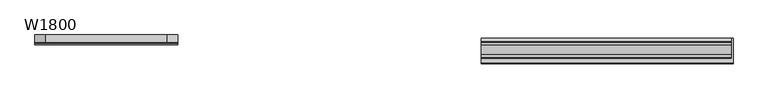
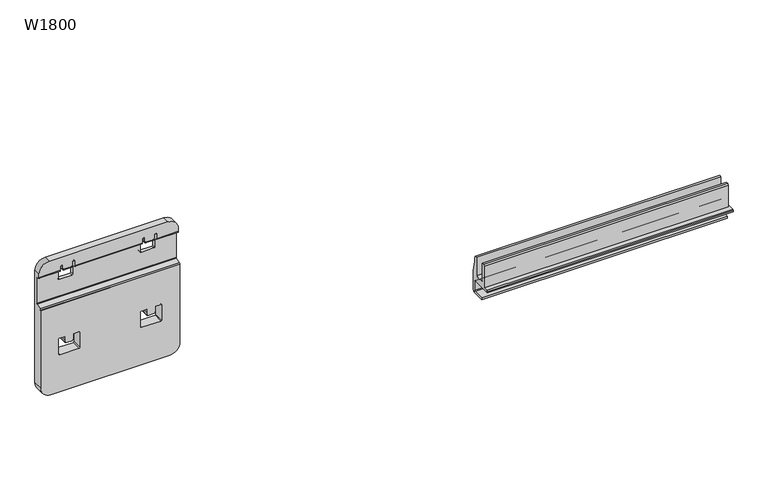
"""IFC4 building model written with IfcOpenShell, lengths in millimetres: furniture geometry, W1800."""

from ifc_helpers import new_model, si_unit, frame, origin, place, context, project, spatial, polyline, circle_curve, ellipse_curve, source, transform, mapped, element, save
from ifc_brep_helpers import plane_surface, cylinder_surface, revolved_surface, advanced_brep


def w1800_2f496332(model_context):
    return source(origin(), model_context, "Body", "AdvancedBrep", [
        advanced_brep(
        [(-585.0000058, 35.7999991, 1156.5000679), (-560.0000058, 35.7999991, 1131.5000679), (-560.0000058, 35.7999991, 841.5000568), (-585.0000058, 35.7999991, 816.5000568), (-875.0000023, 35.7999991, 816.5000568), (-900.0000023, 35.7999991, 841.5000568), (-900.0000023, 35.7999991, 1131.5000679), (-875.0000023, 35.7999991, 1156.5000679), (-855.5000011, 35.7999991, 914.4848873), (-853.5151874, 35.7999991, 912.5000737), (-806.4517863, 35.7999991, 912.5000737), (-804.5000095, 35.7999991, 914.4518505), (-804.5000095, 35.7999991, 952.5278915), (-806.4721874, 35.7999991, 954.5000694), (-818.700004, 35.7999991, 954.5000694), (-818.700004, 35.7999991, 945.5000954), (-820.5106457, 35.7999991, 938.2575281), (-821.4807882, 35.7999991, 937.5000637), (-838.5192298, 35.7999991, 937.5000637), (-839.4893723, 35.7999991, 938.2575281), (-841.3000066, 35.7999991, 945.5000656), (-841.3000066, 35.7999991, 954.5000694), (-853.5000011, 35.7999991, 954.5000694), (-855.5000011, 35.7999991, 952.5000694), (-604.500014, 35.7999991, 914.4848873), (-604.500014, 35.7999991, 952.5000694), (-606.500014, 35.7999991, 954.5000694), (-618.7000085, 35.7999991, 954.5000694), (-618.7000085, 35.7999991, 945.5000656), (-620.5106428, 35.7999991, 938.2575281), (-621.4807853, 35.7999991, 937.5000637), (-638.5192269, 35.7999991, 937.5000637), (-639.4893694, 35.7999991, 938.2575281), (-641.3000111, 35.7999991, 945.5000954), (-641.3000111, 35.7999991, 954.5000694), (-653.5278277, 35.7999991, 954.5000694), (-655.5000056, 35.7999991, 952.5278915), (-655.5000056, 35.7999991, 914.4518505), (-653.5482288, 35.7999991, 912.5000737), (-606.4848276, 35.7999991, 912.5000737), (-847.5000072, 35.7999991, 1096.4925965), (-845.50748, 35.7999991, 1094.5000693), (-814.48164, 35.7999991, 1094.5000693), (-812.5000108, 35.7999991, 1096.4816985), (-812.5000108, 35.7999991, 1134.5000685), (-814.5000108, 35.7999991, 1136.5000685), (-818.700004, 35.7999991, 1136.5000685), (-818.700004, 35.7999991, 1127.500092), (-820.510644, 35.7999991, 1120.2575337), (-821.4807865, 35.7999991, 1119.5000693), (-838.4863519, 35.7999991, 1119.5000693), (-839.4973485, 35.7999991, 1120.2894316), (-841.3000066, 35.7999991, 1127.5000622), (-841.3000066, 35.7999991, 1136.5000685), (-845.5314725, 35.7999991, 1136.5000685), (-847.5000072, 35.7999991, 1134.5315337), (-612.5000008, 35.7999991, 1096.4925965), (-612.5000008, 35.7999991, 1134.5315337), (-614.4685356, 35.7999991, 1136.5000685), (-618.7000015, 35.7999991, 1136.5000685), (-618.7000015, 35.7999991, 1127.5000622), (-620.5026596, 35.7999991, 1120.2894316), (-621.5136561, 35.7999991, 1119.5000693), (-638.5192216, 35.7999991, 1119.5000693), (-639.4893641, 35.7999991, 1120.2575337), (-641.3000041, 35.7999991, 1127.500092), (-641.3000041, 35.7999991, 1136.5000685), (-645.4999973, 35.7999991, 1136.5000685), (-647.4999973, 35.7999991, 1134.5000685), (-647.4999973, 35.7999991, 1096.4816985), (-645.5183681, 35.7999991, 1094.5000693), (-614.4925281, 35.7999991, 1094.5000693), (-900.0000023, 11.9999977, 841.5000568), (-875.0000023, 11.9999977, 816.5000568), (-585.0000058, 11.9999977, 816.5000568), (-560.0000058, 11.9999977, 841.5000568), (-560.0000058, 11.9999977, 1042.3574843), (-900.0000023, 11.9999977, 1042.3574843), (-855.5000011, 11.9999977, 914.4848873), (-855.5000011, 11.9999977, 952.5000694), (-853.5000011, 11.9999977, 954.5000694), (-841.3000066, 11.9999977, 954.5000694), (-841.3000066, 11.9999977, 945.5000656), (-839.4893723, 11.9999977, 938.2575281), (-838.5192298, 11.9999977, 937.5000637), (-821.4807882, 11.9999977, 937.5000637), (-820.5106457, 11.9999977, 938.2575281), (-818.700004, 11.9999977, 945.5000954), (-818.700004, 11.9999977, 954.5000694), (-806.4721874, 11.9999977, 954.5000694), (-804.5000095, 11.9999977, 952.5278915), (-804.5000095, 11.9999977, 914.4518505), (-806.4517863, 11.9999977, 912.5000737), (-853.5151874, 11.9999977, 912.5000737), (-604.500014, 11.9999977, 914.4848873), (-606.4848276, 11.9999977, 912.5000737), (-653.5482288, 11.9999977, 912.5000737), (-655.5000056, 11.9999977, 914.4518505), (-655.5000056, 11.9999977, 952.5278915), (-653.5278277, 11.9999977, 954.5000694), (-641.3000111, 11.9999977, 954.5000694), (-641.3000111, 11.9999977, 945.5000954), (-639.4893694, 11.9999977, 938.2575281), (-638.5192269, 11.9999977, 937.5000637), (-621.4807853, 11.9999977, 937.5000637), (-620.5106428, 11.9999977, 938.2575281), (-618.7000085, 11.9999977, 945.5000656), (-618.7000085, 11.9999977, 954.5000694), (-606.500014, 11.9999977, 954.5000694), (-604.500014, 11.9999977, 952.5000694), (-585.0000058, 18.8000019, 1156.5000679), (-560.0000058, 18.8000019, 1131.5000679), (-560.0000058, 18.8000019, 1123.2768315), (-560.0000058, 20.7739414, 1120.4577537), (-560.0000058, 26.484038, 1118.3794483), (-560.0000058, 27.7999977, 1116.5000631), (-560.0000058, 27.7999977, 1051.5000735), (-560.0000058, 26.4840382, 1049.6206884), (-560.0000058, 14.2739371, 1045.1765734), (-560.0000058, 12.2999896, 1042.3574843), (-900.0000023, 12.2999896, 1042.3574843), (-900.0000023, 14.2739371, 1045.1765734), (-900.0000023, 26.4840382, 1049.6206884), (-900.0000023, 27.7999977, 1051.5000735), (-900.0000023, 27.7999977, 1116.5000631), (-900.0000023, 26.484038, 1118.3794483), (-900.0000023, 20.7739414, 1120.4577537), (-900.0000023, 18.8000019, 1123.2768315), (-900.0000023, 18.8000019, 1131.5000679), (-875.0000023, 18.8000019, 1156.5000679), (-847.5000072, 27.7999977, 1096.4925965), (-845.50748, 27.7999977, 1094.5000693), (-814.48164, 27.7999977, 1094.5000693), (-812.5000108, 27.7999977, 1096.4816985), (-812.5000108, 27.7999977, 1116.5000631), (-812.5000108, 26.484038, 1118.3794483), (-812.5000108, 20.7739414, 1120.4577537), (-812.5000108, 18.8000019, 1123.2768315), (-812.5000108, 18.8000019, 1134.5000685), (-814.5000108, 18.8000019, 1136.5000685), (-818.700004, 18.8000019, 1136.5000685), (-818.700004, 18.8000019, 1127.500092), (-819.7558194, 18.8000019, 1123.2768315), (-820.460589, 20.7739414, 1120.4577537), (-820.510644, 21.3240413, 1120.2575337), (-821.4807865, 23.4051573, 1119.5000693), (-838.4863519, 23.4051573, 1119.5000693), (-839.4973485, 21.2364025, 1120.2894316), (-839.5394291, 20.7739414, 1120.4577537), (-840.2441987, 18.8000019, 1123.2768315), (-841.3000066, 18.8000019, 1127.5000622), (-841.3000066, 18.8000019, 1136.5000685), (-845.5314725, 18.8000019, 1136.5000685), (-847.5000072, 18.8000019, 1134.5315337), (-847.5000072, 18.8000019, 1123.2768315), (-847.5000072, 20.7739414, 1120.4577537), (-847.5000072, 26.484038, 1118.3794483), (-847.5000072, 27.7999977, 1116.5000631), (-612.5000008, 27.7999977, 1096.4925965), (-612.5000008, 27.7999977, 1116.5000631), (-612.5000008, 26.484038, 1118.3794483), (-612.5000008, 20.7739414, 1120.4577537), (-612.5000008, 18.8000019, 1123.2768315), (-612.5000008, 18.8000019, 1134.5315337), (-614.4685356, 18.8000019, 1136.5000685), (-618.7000015, 18.8000019, 1136.5000685), (-618.7000015, 18.8000019, 1127.5000622), (-619.7558094, 18.8000019, 1123.2768315), (-620.460579, 20.7739414, 1120.4577537), (-620.5026596, 21.2364025, 1120.2894316), (-621.5136561, 23.4051573, 1119.5000693), (-638.5192216, 23.4051573, 1119.5000693), (-639.4893641, 21.3240413, 1120.2575337), (-639.5394191, 20.7739414, 1120.4577537), (-640.2441887, 18.8000019, 1123.2768315), (-641.3000041, 18.8000019, 1127.500092), (-641.3000041, 18.8000019, 1136.5000685), (-645.4999973, 18.8000019, 1136.5000685), (-647.4999973, 18.8000019, 1134.5000685), (-647.4999973, 18.8000019, 1123.2768315), (-647.4999973, 20.7739414, 1120.4577537), (-647.4999973, 26.484038, 1118.3794483), (-647.4999973, 27.7999977, 1116.5000631), (-647.4999973, 27.7999977, 1096.4816985), (-645.5183681, 27.7999977, 1094.5000693), (-614.4925281, 27.7999977, 1094.5000693)],
        [
            (0, 1, circle_curve(frame((-585.0000058, 35.7999991, 1131.5000679), z_axis=(0.0, 1.0, 0.0), x_axis=(-1.0, 0.0, 0.0)), 25.0)),
            (1, 2),
            (2, 3, circle_curve(frame((-585.0000058, 35.7999991, 841.5000568), z_axis=(0.0, 1.0, 0.0), x_axis=(-1.0, 0.0, 0.0)), 25.0)),
            (3, 4),
            (4, 5, circle_curve(frame((-875.0000023, 35.7999991, 841.5000568), z_axis=(0.0, 1.0, 0.0), x_axis=(-1.0, 0.0, 0.0)), 25.0)),
            (5, 6),
            (6, 7, circle_curve(frame((-875.0000023, 35.7999991, 1131.5000679), z_axis=(0.0, 1.0, 0.0), x_axis=(-1.0, 0.0, 0.0)), 25.0)),
            (7, 0),
            (8, 9, circle_curve(frame((-853.5151874, 35.7999991, 914.4848873), z_axis=(0.0, -1.0, 0.0), x_axis=(-1.0, 0.0, 0.0)), 1.9848137)),
            (9, 10),
            (10, 11, circle_curve(frame((-806.4517863, 35.7999991, 914.4518505), z_axis=(0.0, -1.0, 0.0), x_axis=(-1.0, 0.0, 0.0)), 1.9517768)),
            (11, 12),
            (12, 13, circle_curve(frame((-806.4721874, 35.7999991, 952.5278915), z_axis=(0.0, -1.0, 0.0), x_axis=(-1.0, 0.0, 0.0)), 1.9721779)),
            (13, 14),
            (14, 15),
            (15, 16),
            (16, 17, circle_curve(frame((-821.4807882, 35.7999991, 938.5000637), z_axis=(0.0, 1.0, 0.0), x_axis=(-1.0, 0.0, 0.0)), 1.0)),
            (17, 18),
            (18, 19, circle_curve(frame((-838.5192298, 35.7999991, 938.5000637), z_axis=(0.0, 1.0, 0.0), x_axis=(-1.0, 0.0, 0.0)), 1.0)),
            (19, 20),
            (20, 21),
            (21, 22),
            (22, 23, circle_curve(frame((-853.5000011, 35.7999991, 952.5000694), z_axis=(0.0, -1.0, 0.0), x_axis=(-1.0, 0.0, 0.0)), 2.0)),
            (23, 8),
            (24, 25),
            (25, 26, circle_curve(frame((-606.500014, 35.7999991, 952.5000694), z_axis=(0.0, -1.0, 0.0), x_axis=(-1.0, 0.0, 0.0)), 2.0)),
            (26, 27),
            (27, 28),
            (28, 29),
            (29, 30, circle_curve(frame((-621.4807853, 35.7999991, 938.5000637), z_axis=(0.0, 1.0, 0.0), x_axis=(-1.0, 0.0, 0.0)), 1.0)),
            (30, 31),
            (31, 32, circle_curve(frame((-638.5192269, 35.7999991, 938.5000637), z_axis=(0.0, 1.0, 0.0), x_axis=(-1.0, 0.0, 0.0)), 1.0)),
            (32, 33),
            (33, 34),
            (34, 35),
            (35, 36, circle_curve(frame((-653.5278277, 35.7999991, 952.5278915), z_axis=(0.0, -1.0, 0.0), x_axis=(-1.0, 0.0, 0.0)), 1.9721779)),
            (36, 37),
            (37, 38, circle_curve(frame((-653.5482288, 35.7999991, 914.4518505), z_axis=(0.0, -1.0, 0.0), x_axis=(-1.0, 0.0, 0.0)), 1.9517768)),
            (38, 39),
            (39, 24, circle_curve(frame((-606.4848276, 35.7999991, 914.4848873), z_axis=(0.0, -1.0, 0.0), x_axis=(-1.0, 0.0, 0.0)), 1.9848137)),
            (40, 41, circle_curve(frame((-845.50748, 35.7999991, 1096.4925965), z_axis=(0.0, -1.0, 0.0), x_axis=(-1.0, 0.0, 0.0)), 1.9925272)),
            (41, 42),
            (42, 43, circle_curve(frame((-814.48164, 35.7999991, 1096.4816985), z_axis=(0.0, -1.0, 0.0), x_axis=(-1.0, 0.0, 0.0)), 1.9816292)),
            (43, 44),
            (44, 45, circle_curve(frame((-814.5000108, 35.7999991, 1134.5000685), z_axis=(0.0, -1.0, 0.0), x_axis=(-1.0, 0.0, 0.0)), 2.0)),
            (45, 46),
            (46, 47),
            (47, 48),
            (48, 49, circle_curve(frame((-821.4807865, 35.7999991, 1120.5000693), z_axis=(0.0, 1.0, 0.0), x_axis=(-1.0, 0.0, 0.0)), 1.0)),
            (49, 50),
            (50, 51, circle_curve(frame((-838.4863519, 35.7999991, 1120.5421808), z_axis=(0.0, 1.0, 0.0), x_axis=(-1.0, 0.0, 0.0)), 1.0421114)),
            (51, 52),
            (52, 53),
            (53, 54),
            (54, 55, circle_curve(frame((-845.5314725, 35.7999991, 1134.5315337), z_axis=(0.0, -1.0, 0.0), x_axis=(-1.0, 0.0, 0.0)), 1.9685347)),
            (55, 40),
            (56, 57),
            (57, 58, circle_curve(frame((-614.4685356, 35.7999991, 1134.5315337), z_axis=(0.0, -1.0, 0.0), x_axis=(-1.0, 0.0, 0.0)), 1.9685347)),
            (58, 59),
            (59, 60),
            (60, 61),
            (61, 62, circle_curve(frame((-621.5136561, 35.7999991, 1120.5421808), z_axis=(0.0, 1.0, 0.0), x_axis=(-1.0, 0.0, 0.0)), 1.0421114)),
            (62, 63),
            (63, 64, circle_curve(frame((-638.5192216, 35.7999991, 1120.5000693), z_axis=(0.0, 1.0, 0.0), x_axis=(-1.0, 0.0, 0.0)), 1.0)),
            (64, 65),
            (65, 66),
            (66, 67),
            (67, 68, circle_curve(frame((-645.4999973, 35.7999991, 1134.5000685), z_axis=(0.0, -1.0, 0.0), x_axis=(-1.0, 0.0, 0.0)), 2.0)),
            (68, 69),
            (69, 70, circle_curve(frame((-645.5183681, 35.7999991, 1096.4816985), z_axis=(0.0, -1.0, 0.0), x_axis=(-1.0, 0.0, 0.0)), 1.9816292)),
            (70, 71),
            (71, 56, circle_curve(frame((-614.4925281, 35.7999991, 1096.4925965), z_axis=(0.0, -1.0, 0.0), x_axis=(-1.0, 0.0, 0.0)), 1.9925272)),
            (72, 73, circle_curve(frame((-875.0000023, 11.9999977, 841.5000568), z_axis=(0.0, -1.0, 0.0), x_axis=(-1.0, 0.0, 0.0)), 25.0)),
            (73, 74),
            (74, 75, circle_curve(frame((-585.0000058, 11.9999977, 841.5000568), z_axis=(0.0, -1.0, 0.0), x_axis=(-1.0, 0.0, 0.0)), 25.0)),
            (75, 76),
            (76, 77),
            (77, 72),
            (78, 79),
            (79, 80, circle_curve(frame((-853.5000011, 11.9999977, 952.5000694), z_axis=(0.0, 1.0, 0.0), x_axis=(-1.0, 0.0, 0.0)), 2.0)),
            (80, 81),
            (81, 82),
            (82, 83),
            (83, 84, circle_curve(frame((-838.5192298, 11.9999977, 938.5000637), z_axis=(0.0, -1.0, 0.0), x_axis=(-1.0, 0.0, 0.0)), 1.0)),
            (84, 85),
            (85, 86, circle_curve(frame((-821.4807882, 11.9999977, 938.5000637), z_axis=(0.0, -1.0, 0.0), x_axis=(-1.0, 0.0, 0.0)), 1.0)),
            (86, 87),
            (87, 88),
            (88, 89),
            (89, 90, circle_curve(frame((-806.4721874, 11.9999977, 952.5278915), z_axis=(0.0, 1.0, 0.0), x_axis=(-1.0, 0.0, 0.0)), 1.9721779)),
            (90, 91),
            (91, 92, circle_curve(frame((-806.4517863, 11.9999977, 914.4518505), z_axis=(0.0, 1.0, 0.0), x_axis=(-1.0, 0.0, 0.0)), 1.9517768)),
            (92, 93),
            (93, 78, circle_curve(frame((-853.5151874, 11.9999977, 914.4848873), z_axis=(0.0, 1.0, 0.0), x_axis=(-1.0, 0.0, 0.0)), 1.9848137)),
            (94, 95, circle_curve(frame((-606.4848276, 11.9999977, 914.4848873), z_axis=(0.0, 1.0, 0.0), x_axis=(-1.0, 0.0, 0.0)), 1.9848137)),
            (95, 96),
            (96, 97, circle_curve(frame((-653.5482288, 11.9999977, 914.4518505), z_axis=(0.0, 1.0, 0.0), x_axis=(-1.0, 0.0, 0.0)), 1.9517768)),
            (97, 98),
            (98, 99, circle_curve(frame((-653.5278277, 11.9999977, 952.5278915), z_axis=(0.0, 1.0, 0.0), x_axis=(-1.0, 0.0, 0.0)), 1.9721779)),
            (99, 100),
            (100, 101),
            (101, 102),
            (102, 103, circle_curve(frame((-638.5192269, 11.9999977, 938.5000637), z_axis=(0.0, -1.0, 0.0), x_axis=(-1.0, 0.0, 0.0)), 1.0)),
            (103, 104),
            (104, 105, circle_curve(frame((-621.4807853, 11.9999977, 938.5000637), z_axis=(0.0, -1.0, 0.0), x_axis=(-1.0, 0.0, 0.0)), 1.0)),
            (105, 106),
            (106, 107),
            (107, 108),
            (108, 109, circle_curve(frame((-606.500014, 11.9999977, 952.5000694), z_axis=(0.0, 1.0, 0.0), x_axis=(-1.0, 0.0, 0.0)), 2.0)),
            (109, 94),
            (0, 110),
            (110, 111, circle_curve(frame((-585.0000058, 18.8000019, 1131.5000679), z_axis=(0.0, 1.0, 0.0), x_axis=(-1.0, 0.0, 0.0)), 25.0)),
            (111, 1),
            (111, 112),
            (112, 113, circle_curve(frame((-560.0000058, 21.8000019, 1123.2768315), z_axis=(1.0, 0.0, 0.0), x_axis=(0.0, 1.0, 0.0)), 3.0)),
            (113, 114),
            (114, 115, circle_curve(frame((-560.0000058, 25.7999977, 1116.5000631), z_axis=(-1.0, 0.0, 0.0), x_axis=(0.0, 1.0, 0.0)), 2.0)),
            (115, 116),
            (116, 117, circle_curve(frame((-560.0000058, 25.7999977, 1051.5000735), z_axis=(-1.0, 0.0, 0.0), x_axis=(0.0, 1.0, 0.0)), 2.0)),
            (117, 118),
            (118, 119, circle_curve(frame((-560.0000058, 15.3000021, 1042.3574839), z_axis=(1.0, 0.0, 0.0), x_axis=(0.0, 1.0, 0.0)), 3.0000125)),
            (119, 76),
            (75, 2),
            (74, 3),
            (73, 4),
            (72, 5),
            (77, 120),
            (120, 121, circle_curve(frame((-900.0000023, 15.3000021, 1042.3574839), z_axis=(-1.0, 0.0, 0.0), x_axis=(0.0, 1.0, 0.0)), 3.0000125)),
            (121, 122),
            (122, 123, circle_curve(frame((-900.0000023, 25.7999977, 1051.5000735), z_axis=(1.0, 0.0, 0.0), x_axis=(0.0, 1.0, 0.0)), 2.0)),
            (123, 124),
            (124, 125, circle_curve(frame((-900.0000023, 25.7999977, 1116.5000631), z_axis=(1.0, 0.0, 0.0), x_axis=(0.0, 1.0, 0.0)), 2.0)),
            (125, 126),
            (126, 127, circle_curve(frame((-900.0000023, 21.8000019, 1123.2768315), z_axis=(-1.0, 0.0, 0.0), x_axis=(0.0, 1.0, 0.0)), 3.0)),
            (127, 128),
            (128, 6),
            (128, 129, circle_curve(frame((-875.0000023, 18.8000019, 1131.5000679), z_axis=(0.0, 1.0, 0.0), x_axis=(-1.0, 0.0, 0.0)), 25.0)),
            (129, 7),
            (129, 110),
            (8, 78),
            (93, 9),
            (92, 10),
            (91, 11),
            (90, 12),
            (89, 13),
            (88, 14),
            (87, 15),
            (86, 16),
            (85, 17),
            (84, 18),
            (83, 19),
            (82, 20),
            (81, 21),
            (80, 22),
            (79, 23),
            (24, 94),
            (109, 25),
            (108, 26),
            (107, 27),
            (106, 28),
            (105, 29),
            (104, 30),
            (103, 31),
            (102, 32),
            (101, 33),
            (100, 34),
            (99, 35),
            (98, 36),
            (97, 37),
            (96, 38),
            (95, 39),
            (40, 130),
            (130, 131, circle_curve(frame((-845.50748, 27.7999977, 1096.4925965), z_axis=(0.0, -1.0, 0.0), x_axis=(-1.0, 0.0, 0.0)), 1.9925272)),
            (131, 41),
            (131, 132),
            (132, 42),
            (132, 133, circle_curve(frame((-814.48164, 27.7999977, 1096.4816985), z_axis=(0.0, -1.0, 0.0), x_axis=(-1.0, 0.0, 0.0)), 1.9816292)),
            (133, 43),
            (133, 134),
            (134, 135, circle_curve(frame((-812.5000108, 25.7999977, 1116.5000631), z_axis=(1.0, 0.0, 0.0), x_axis=(0.0, 1.0, 0.0)), 2.0)),
            (135, 136),
            (136, 137, circle_curve(frame((-812.5000108, 21.8000019, 1123.2768315), z_axis=(-1.0, 0.0, 0.0), x_axis=(0.0, 1.0, 0.0)), 3.0)),
            (137, 138),
            (138, 44),
            (138, 139, circle_curve(frame((-814.5000108, 18.8000019, 1134.5000685), z_axis=(0.0, -1.0, 0.0), x_axis=(-1.0, 0.0, 0.0)), 2.0)),
            (139, 45),
            (139, 140),
            (140, 46),
            (140, 141),
            (141, 47),
            (141, 142),
            (142, 143, ellipse_curve(frame((-819.7558194, 21.8000019, 1123.2768315), z_axis=(0.9701424866349201, 0.0, -0.2425356790779738), x_axis=(-0.24253567907797385, 0.0, -0.9701424866349201)), 3.0923293, 3.0)),
            (143, 144),
            (144, 48),
            (144, 145, ellipse_curve(frame((-821.4807865, 20.6576801, 1120.5000693), z_axis=(0.0, 0.3420201653710103, 0.93969261276206), x_axis=(0.0, 0.93969261276206, -0.3420201653710103)), 2.9238042, 1.0)),
            (145, 49),
            (145, 146),
            (146, 50),
            (146, 147, ellipse_curve(frame((-838.4863519, 20.5419799, 1120.5421808), z_axis=(0.0, 0.3420201653710103, 0.93969261276206), x_axis=(0.0, 0.93969261276206, -0.3420201653710103)), 3.0469298, 1.0421114)),
            (147, 51),
            (147, 148),
            (148, 149, ellipse_curve(frame((-840.2441987, 21.8000019, 1123.2768315), z_axis=(-0.9701424866349208, 0.0, -0.24253567907797147), x_axis=(-0.24253567907797086, 0.0, 0.9701424866349208)), 3.0923293, 3.0)),
            (149, 150),
            (150, 52),
            (150, 151),
            (151, 53),
            (151, 152),
            (152, 54),
            (152, 153, circle_curve(frame((-845.5314725, 18.8000019, 1134.5315337), z_axis=(0.0, -1.0, 0.0), x_axis=(-1.0, 0.0, 0.0)), 1.9685347)),
            (153, 55),
            (153, 154),
            (154, 155, circle_curve(frame((-847.5000072, 21.8000019, 1123.2768315), z_axis=(1.0, 0.0, 0.0), x_axis=(0.0, 1.0, 0.0)), 3.0)),
            (155, 156),
            (156, 157, circle_curve(frame((-847.5000072, 25.7999977, 1116.5000631), z_axis=(-1.0, 0.0, 0.0), x_axis=(0.0, 1.0, 0.0)), 2.0)),
            (157, 130),
            (56, 158),
            (158, 159),
            (159, 160, circle_curve(frame((-612.5000008, 25.7999977, 1116.5000631), z_axis=(1.0, 0.0, 0.0), x_axis=(0.0, 1.0, 0.0)), 2.0)),
            (160, 161),
            (161, 162, circle_curve(frame((-612.5000008, 21.8000019, 1123.2768315), z_axis=(-1.0, 0.0, 0.0), x_axis=(0.0, 1.0, 0.0)), 3.0)),
            (162, 163),
            (163, 57),
            (163, 164, circle_curve(frame((-614.4685356, 18.8000019, 1134.5315337), z_axis=(0.0, -1.0, 0.0), x_axis=(-1.0, 0.0, 0.0)), 1.9685347)),
            (164, 58),
            (164, 165),
            (165, 59),
            (165, 166),
            (166, 60),
            (166, 167),
            (167, 168, ellipse_curve(frame((-619.7558094, 21.8000019, 1123.2768315), z_axis=(0.9701424866349218, 0.0, -0.24253567907796716), x_axis=(-0.2425356790779672, 0.0, -0.9701424866349218)), 3.0923293, 3.0)),
            (168, 169),
            (169, 61),
            (169, 170, ellipse_curve(frame((-621.5136561, 20.5419799, 1120.5421808), z_axis=(0.0, 0.3420201653710103, 0.93969261276206), x_axis=(0.0, 0.93969261276206, -0.3420201653710103)), 3.0469298, 1.0421114)),
            (170, 62),
            (170, 171),
            (171, 63),
            (171, 172, ellipse_curve(frame((-638.5192216, 20.6576801, 1120.5000693), z_axis=(0.0, 0.3420201653710103, 0.93969261276206), x_axis=(0.0, 0.93969261276206, -0.3420201653710103)), 2.9238042, 1.0)),
            (172, 64),
            (172, 173),
            (173, 174, ellipse_curve(frame((-640.2441887, 21.8000019, 1123.2768315), z_axis=(-0.9701424866349201, 0.0, -0.2425356790779738), x_axis=(-0.24253567907797358, 0.0, 0.9701424866349202)), 3.0923293, 3.0)),
            (174, 175),
            (175, 65),
            (175, 176),
            (176, 66),
            (176, 177),
            (177, 67),
            (177, 178, circle_curve(frame((-645.4999973, 18.8000019, 1134.5000685), z_axis=(0.0, -1.0, 0.0), x_axis=(-1.0, 0.0, 0.0)), 2.0)),
            (178, 68),
            (178, 179),
            (179, 180, circle_curve(frame((-647.4999973, 21.8000019, 1123.2768315), z_axis=(1.0, 0.0, 0.0), x_axis=(0.0, 1.0, 0.0)), 3.0)),
            (180, 181),
            (181, 182, circle_curve(frame((-647.4999973, 25.7999977, 1116.5000631), z_axis=(-1.0, 0.0, 0.0), x_axis=(0.0, 1.0, 0.0)), 2.0)),
            (182, 183),
            (183, 69),
            (183, 184, circle_curve(frame((-645.5183681, 27.7999977, 1096.4816985), z_axis=(0.0, -1.0, 0.0), x_axis=(-1.0, 0.0, 0.0)), 1.9816292)),
            (184, 70),
            (184, 185),
            (185, 71),
            (185, 158, circle_curve(frame((-614.4925281, 27.7999977, 1096.4925965), z_axis=(0.0, -1.0, 0.0), x_axis=(-1.0, 0.0, 0.0)), 1.9925272)),
            (123, 116),
            (115, 159),
            (182, 134),
            (157, 124),
            (114, 160),
            (181, 135),
            (156, 125),
            (155, 126),
            (113, 161),
            (180, 136),
            (143, 148),
            (168, 173),
            (154, 127),
            (112, 162),
            (179, 137),
            (142, 149),
            (167, 174),
            (119, 120),
            (118, 121),
            (117, 122),
        ],
        [
            plane_surface(frame((-610.0000058, 35.7999991, 1131.5000679), z_axis=(0.0, 1.0, 0.0), x_axis=(0.0, 0.0, 1.0))),
            plane_surface(frame((-610.0000058, 11.9999977, 1131.5000679), z_axis=(0.0, -1.0, 0.0), x_axis=(0.0, 0.0, -1.0))),
            cylinder_surface(frame((-585.0000058, 11.9999977, 1131.5000679), z_axis=(0.0, 1.0, 0.0), x_axis=(-1.0, 0.0, 0.0)), 25.0),
            plane_surface(frame((-560.0000058, 35.7999991, 1131.5000679), z_axis=(1.0, 0.0, 0.0), x_axis=(0.0, -1.0, 0.0))),
            cylinder_surface(frame((-585.0000058, 11.9999977, 841.5000568), z_axis=(0.0, 1.0, 0.0), x_axis=(-1.0, 0.0, 0.0)), 25.0),
            plane_surface(frame((-585.0000058, 35.7999991, 816.5000568), z_axis=(0.0, 0.0, -1.0), x_axis=(0.0, -1.0, 0.0))),
            cylinder_surface(frame((-875.0000023, 11.9999977, 841.5000568), z_axis=(0.0, 1.0, 0.0), x_axis=(-1.0, 0.0, 0.0)), 25.0),
            plane_surface(frame((-900.0000023, 35.7999991, 841.5000568), z_axis=(-1.0, 0.0, 0.0), x_axis=(0.0, -1.0, 0.0))),
            cylinder_surface(frame((-875.0000023, 11.9999977, 1131.5000679), z_axis=(0.0, 1.0, 0.0), x_axis=(-1.0, 0.0, 0.0)), 25.0),
            plane_surface(frame((-875.0000023, 35.7999991, 1156.5000679), z_axis=(0.0, 0.0, 1.0), x_axis=(0.0, -1.0, 0.0))),
            revolved_surface(polyline([(-855.5000011, 11.9999977, 914.4848873), (-855.5000011, 35.7999991, 914.4848873)]), (-853.5151874, 0.0, 914.4848873), (0.0, -1.0, 0.0)),
            plane_surface(frame((-853.5151874, 35.7999991, 912.5000737), z_axis=(0.0, 0.0, 1.0), x_axis=(0.0, -1.0, 0.0))),
            revolved_surface(polyline([(-808.4035630999999, 11.9999977, 914.4518505), (-808.4035630999999, 35.7999991, 914.4518505)]), (-806.4517863, 0.0, 914.4518505), (0.0, -1.0, 0.0)),
            plane_surface(frame((-804.5000095, 35.7999991, 914.4518505), z_axis=(-1.0, 0.0, 0.0), x_axis=(0.0, -1.0, 0.0))),
            revolved_surface(polyline([(-808.4443653000001, 11.9999977, 952.5278915), (-808.4443653000001, 35.7999991, 952.5278915)]), (-806.4721874, 0.0, 952.5278915), (0.0, -1.0, 0.0)),
            plane_surface(frame((-806.4721874, 35.7999991, 954.5000694), z_axis=(0.0, 0.0, -1.0), x_axis=(0.0, -1.0, 0.0))),
            plane_surface(frame((-818.700004, 35.7999991, 954.5000694), z_axis=(1.0, 0.0, 0.0), x_axis=(0.0, -1.0, 0.0))),
            plane_surface(frame((-818.700004, 35.7999991, 945.5000954), z_axis=(0.970142504503518, 0.0, -0.242535607603588), x_axis=(0.0, -1.0, 0.0))),
            cylinder_surface(frame((-821.4807882, 0.0, 938.5000637), z_axis=(0.0, 1.0, 0.0), x_axis=(-1.0, 0.0, 0.0)), 1.0),
            plane_surface(frame((-821.4807882, 35.7999991, 937.5000637), z_axis=(0.0, 0.0, -1.0), x_axis=(0.0, -1.0, 0.0))),
            cylinder_surface(frame((-838.5192298, 0.0, 938.5000637), z_axis=(0.0, 1.0, 0.0), x_axis=(-1.0, 0.0, 0.0)), 1.0),
            plane_surface(frame((-839.4893723, 35.7999991, 938.2575281), z_axis=(-0.9701425006996626, 0.0, -0.24253562281901056), x_axis=(0.0, -1.0, 0.0))),
            plane_surface(frame((-841.3000066, 35.7999991, 945.5000656), z_axis=(-1.0, 0.0, 0.0), x_axis=(0.0, -1.0, 0.0))),
            plane_surface(frame((-841.3000066, 35.7999991, 954.5000694), z_axis=(0.0, 0.0, -1.0), x_axis=(0.0, -1.0, 0.0))),
            revolved_surface(polyline([(-855.5000011, 11.9999977, 952.5000694), (-855.5000011, 35.7999991, 952.5000694)]), (-853.5000011, 0.0, 952.5000694), (0.0, -1.0, 0.0)),
            plane_surface(frame((-855.5000011, 35.7999991, 952.5000694), z_axis=(1.0, 0.0, 0.0), x_axis=(0.0, -1.0, 0.0))),
            plane_surface(frame((-604.500014, 35.7999991, 914.4848873), z_axis=(-1.0, 0.0, 0.0), x_axis=(0.0, -1.0, 0.0))),
            revolved_surface(polyline([(-608.500014, 11.9999977, 952.5000694), (-608.500014, 35.7999991, 952.5000694)]), (-606.500014, 0.0, 952.5000694), (0.0, -1.0, 0.0)),
            plane_surface(frame((-606.500014, 35.7999991, 954.5000694), z_axis=(0.0, 0.0, -1.0), x_axis=(0.0, -1.0, 0.0))),
            plane_surface(frame((-618.7000085, 35.7999991, 954.5000694), z_axis=(1.0, 0.0, 0.0), x_axis=(0.0, -1.0, 0.0))),
            plane_surface(frame((-618.7000085, 35.7999991, 945.5000656), z_axis=(0.970142500699655, 0.0, -0.24253562281904043), x_axis=(0.0, -1.0, 0.0))),
            cylinder_surface(frame((-621.4807853, 0.0, 938.5000637), z_axis=(0.0, 1.0, 0.0), x_axis=(-1.0, 0.0, 0.0)), 1.0),
            plane_surface(frame((-621.4807853, 35.7999991, 937.5000637), z_axis=(0.0, 0.0, -1.0), x_axis=(0.0, -1.0, 0.0))),
            cylinder_surface(frame((-638.5192269, 0.0, 938.5000637), z_axis=(0.0, 1.0, 0.0), x_axis=(-1.0, 0.0, 0.0)), 1.0),
            plane_surface(frame((-639.4893694, 35.7999991, 938.2575281), z_axis=(-0.970142504503518, 0.0, -0.242535607603588), x_axis=(0.0, -1.0, 0.0))),
            plane_surface(frame((-641.3000111, 35.7999991, 945.5000954), z_axis=(-1.0, 0.0, 0.0), x_axis=(0.0, -1.0, 0.0))),
            plane_surface(frame((-641.3000111, 35.7999991, 954.5000694), z_axis=(0.0, 0.0, -1.0), x_axis=(0.0, -1.0, 0.0))),
            revolved_surface(polyline([(-655.5000056, 11.9999977, 952.5278915), (-655.5000056, 35.7999991, 952.5278915)]), (-653.5278277, 0.0, 952.5278915), (0.0, -1.0, 0.0)),
            plane_surface(frame((-655.5000056, 35.7999991, 952.5278915), z_axis=(1.0, 0.0, 0.0), x_axis=(0.0, -1.0, 0.0))),
            revolved_surface(polyline([(-655.5000055999999, 11.9999977, 914.4518505), (-655.5000055999999, 35.7999991, 914.4518505)]), (-653.5482288, 0.0, 914.4518505), (0.0, -1.0, 0.0)),
            plane_surface(frame((-653.5482288, 35.7999991, 912.5000737), z_axis=(0.0, 0.0, 1.0), x_axis=(0.0, -1.0, 0.0))),
            revolved_surface(polyline([(-608.4696413, 11.9999977, 914.4848873), (-608.4696413, 35.7999991, 914.4848873)]), (-606.4848276, 0.0, 914.4848873), (0.0, -1.0, 0.0)),
            revolved_surface(polyline([(-847.5000072, 27.7999977, 1096.4925965), (-847.5000072, 35.7999991, 1096.4925965)]), (-845.50748, 0.0, 1096.4925965), (0.0, -1.0, 0.0)),
            plane_surface(frame((-845.50748, 35.7999991, 1094.5000693), z_axis=(0.0, 0.0, 1.0), x_axis=(0.0, -1.0, 0.0))),
            revolved_surface(polyline([(-816.4632692, 27.7999977, 1096.4816985), (-816.4632692, 35.7999991, 1096.4816985)]), (-814.48164, 0.0, 1096.4816985), (0.0, -1.0, 0.0)),
            plane_surface(frame((-812.5000108, 35.7999991, 1096.4816985), z_axis=(-1.0, 0.0, 0.0), x_axis=(0.0, -1.0, 0.0))),
            revolved_surface(polyline([(-816.5000108, 18.8000019, 1134.5000685), (-816.5000108, 35.7999991, 1134.5000685)]), (-814.5000108, 0.0, 1134.5000685), (0.0, -1.0, 0.0)),
            plane_surface(frame((-814.5000108, 35.7999991, 1136.5000685), z_axis=(0.0, 0.0, -1.0), x_axis=(0.0, -1.0, 0.0))),
            plane_surface(frame((-818.700004, 35.7999991, 1136.5000685), z_axis=(1.0, 0.0, 0.0), x_axis=(0.0, -1.0, 0.0))),
            plane_surface(frame((-818.700004, 35.7999991, 1127.500092), z_axis=(0.9701424866349201, 0.0, -0.2425356790779738), x_axis=(0.0, -1.0, 0.0))),
            cylinder_surface(frame((-821.4807865, 0.0, 1120.5000693), z_axis=(0.0, 1.0, 0.0), x_axis=(-1.0, 0.0, 0.0)), 1.0),
            plane_surface(frame((-821.4807865, 35.7999991, 1119.5000693), z_axis=(0.0, 0.0, -1.0), x_axis=(0.0, -1.0, 0.0))),
            cylinder_surface(frame((-838.4863519, 0.0, 1120.5421808), z_axis=(0.0, 1.0, 0.0), x_axis=(-1.0, 0.0, 0.0)), 1.0421114),
            plane_surface(frame((-839.4973485, 35.7999991, 1120.2894316), z_axis=(-0.9701424866349208, 0.0, -0.24253567907797147), x_axis=(0.0, -1.0, 0.0))),
            plane_surface(frame((-841.3000066, 35.7999991, 1127.5000622), z_axis=(-1.0, 0.0, 0.0), x_axis=(0.0, -1.0, 0.0))),
            plane_surface(frame((-841.3000066, 35.7999991, 1136.5000685), z_axis=(0.0, 0.0, -1.0), x_axis=(0.0, -1.0, 0.0))),
            revolved_surface(polyline([(-847.5000071999999, 18.8000019, 1134.5315337), (-847.5000071999999, 35.7999991, 1134.5315337)]), (-845.5314725, 0.0, 1134.5315337), (0.0, -1.0, 0.0)),
            plane_surface(frame((-847.5000072, 35.7999991, 1134.5315337), z_axis=(1.0, 0.0, 0.0), x_axis=(0.0, -1.0, 0.0))),
            plane_surface(frame((-612.5000008, 35.7999991, 1096.4925965), z_axis=(-1.0, 0.0, 0.0), x_axis=(0.0, -1.0, 0.0))),
            revolved_surface(polyline([(-616.4370703, 18.8000019, 1134.5315337), (-616.4370703, 35.7999991, 1134.5315337)]), (-614.4685356, 0.0, 1134.5315337), (0.0, -1.0, 0.0)),
            plane_surface(frame((-614.4685356, 35.7999991, 1136.5000685), z_axis=(0.0, 0.0, -1.0), x_axis=(0.0, -1.0, 0.0))),
            plane_surface(frame((-618.7000015, 35.7999991, 1136.5000685), z_axis=(1.0, 0.0, 0.0), x_axis=(0.0, -1.0, 0.0))),
            plane_surface(frame((-618.7000015, 35.7999991, 1127.5000622), z_axis=(0.9701424866349218, 0.0, -0.24253567907796716), x_axis=(0.0, -1.0, 0.0))),
            cylinder_surface(frame((-621.5136561, 0.0, 1120.5421808), z_axis=(0.0, 1.0, 0.0), x_axis=(-1.0, 0.0, 0.0)), 1.0421114),
            plane_surface(frame((-621.5136561, 35.7999991, 1119.5000693), z_axis=(0.0, 0.0, -1.0), x_axis=(0.0, -1.0, 0.0))),
            cylinder_surface(frame((-638.5192216, 0.0, 1120.5000693), z_axis=(0.0, 1.0, 0.0), x_axis=(-1.0, 0.0, 0.0)), 1.0),
            plane_surface(frame((-639.4893641, 35.7999991, 1120.2575337), z_axis=(-0.9701424866349201, 0.0, -0.2425356790779738), x_axis=(0.0, -1.0, 0.0))),
            plane_surface(frame((-641.3000041, 35.7999991, 1127.500092), z_axis=(-1.0, 0.0, 0.0), x_axis=(0.0, -1.0, 0.0))),
            plane_surface(frame((-641.3000041, 35.7999991, 1136.5000685), z_axis=(0.0, 0.0, -1.0), x_axis=(0.0, -1.0, 0.0))),
            revolved_surface(polyline([(-647.4999973, 18.8000019, 1134.5000685), (-647.4999973, 35.7999991, 1134.5000685)]), (-645.4999973, 0.0, 1134.5000685), (0.0, -1.0, 0.0)),
            plane_surface(frame((-647.4999973, 35.7999991, 1134.5000685), z_axis=(1.0, 0.0, 0.0), x_axis=(0.0, -1.0, 0.0))),
            revolved_surface(polyline([(-647.4999973, 27.7999977, 1096.4816985), (-647.4999973, 35.7999991, 1096.4816985)]), (-645.5183681, 0.0, 1096.4816985), (0.0, -1.0, 0.0)),
            plane_surface(frame((-645.5183681, 35.7999991, 1094.5000693), z_axis=(0.0, 0.0, 1.0), x_axis=(0.0, -1.0, 0.0))),
            revolved_surface(polyline([(-616.4850553, 27.7999977, 1096.4925965), (-616.4850553, 35.7999991, 1096.4925965)]), (-614.4925281, 0.0, 1096.4925965), (0.0, -1.0, 0.0)),
            plane_surface(frame((-38.7041373, 27.7999977, 1051.5000735), z_axis=(0.0, -1.0, 0.0), x_axis=(-1.0, 0.0, 0.0))),
            revolved_surface(polyline([(-560.0000058, 27.7999977, 1116.5000631), (-612.5000008, 27.7999977, 1116.5000631)]), (-1009.5594979, 25.7999977, 1116.5000631), (1.0, 0.0, 0.0)),
            revolved_surface(polyline([(-647.4999973, 27.7999977, 1116.5000631), (-812.5000108, 27.7999977, 1116.5000631)]), (-1009.5594979, 25.7999977, 1116.5000631), (1.0, 0.0, 0.0)),
            revolved_surface(polyline([(-847.5000072, 27.7999977, 1116.5000631), (-900.0000023, 27.7999977, 1116.5000631)]), (-1009.5594979, 25.7999977, 1116.5000631), (1.0, 0.0, 0.0)),
            plane_surface(frame((-38.7041373, 26.484038, 1118.3794483), z_axis=(0.0, -0.3420201653710103, -0.93969261276206), x_axis=(-1.0, 0.0, 0.0))),
            cylinder_surface(frame((-1009.5594979, 21.8000019, 1123.2768315), z_axis=(-1.0, 0.0, 0.0), x_axis=(0.0, 1.0, 0.0)), 3.0),
            plane_surface(frame((-38.7041373, 18.8000019, 1123.2768315), z_axis=(0.0, -1.0, 0.0), x_axis=(-1.0, 0.0, 0.0))),
            plane_surface(frame((-38.7041373, 9.301053, 1042.3574843), z_axis=(0.0, 0.0, 1.0), x_axis=(-1.0, 0.0, 0.0))),
            cylinder_surface(frame((-1009.5594979, 15.3000021, 1042.3574839), z_axis=(-1.0, 0.0, 0.0), x_axis=(0.0, 1.0, 0.0)), 3.0000125),
            plane_surface(frame((-38.7041373, 14.2739371, 1045.1765734), z_axis=(0.0, -0.34202025088996507, 0.9396925816356994), x_axis=(-1.0, 0.0, 0.0))),
            revolved_surface(polyline([(-560.0000058, 27.7999977, 1051.5000735), (-900.0000023, 27.7999977, 1051.5000735)]), (-1009.5594979, 25.7999977, 1051.5000735), (1.0, 0.0, 0.0)),
        ],
        [
            (0, [[1, 2, 3, 4, 5, 6, 7, 8], [9, 10, 11, 12, 13, 14, 15, 16, 17, 18, 19, 20, 21, 22, 23, 24], [25, 26, 27, 28, 29, 30, 31, 32, 33, 34, 35, 36, 37, 38, 39, 40], [41, 42, 43, 44, 45, 46, 47, 48, 49, 50, 51, 52, 53, 54, 55, 56], [57, 58, 59, 60, 61, 62, 63, 64, 65, 66, 67, 68, 69, 70, 71, 72]]),
            (1, [[73, 74, 75, 76, 77, 78], [79, 80, 81, 82, 83, 84, 85, 86, 87, 88, 89, 90, 91, 92, 93, 94], [95, 96, 97, 98, 99, 100, 101, 102, 103, 104, 105, 106, 107, 108, 109, 110]]),
            (2, [[-1, 111, 112, 113]]),
            (3, [[-2, -113, 114, 115, 116, 117, 118, 119, 120, 121, 122, -76, 123]]),
            (4, [[-3, -123, -75, 124]]),
            (5, [[-4, -124, -74, 125]]),
            (6, [[-5, -125, -73, 126]]),
            (7, [[-6, -126, -78, 127, 128, 129, 130, 131, 132, 133, 134, 135, 136]]),
            (8, [[-7, -136, 137, 138]]),
            (9, [[-8, -138, 139, -111]]),
            (10, [[-9, 140, -94, 141]]),
            (11, [[-10, -141, -93, 142]]),
            (12, [[-11, -142, -92, 143]]),
            (13, [[-12, -143, -91, 144]]),
            (14, [[-13, -144, -90, 145]]),
            (15, [[-14, -145, -89, 146]]),
            (16, [[-15, -146, -88, 147]]),
            (17, [[-16, -147, -87, 148]]),
            (18, [[-17, -148, -86, 149]]),
            (19, [[-18, -149, -85, 150]]),
            (20, [[-19, -150, -84, 151]]),
            (21, [[-20, -151, -83, 152]]),
            (22, [[-21, -152, -82, 153]]),
            (23, [[-22, -153, -81, 154]]),
            (24, [[-23, -154, -80, 155]]),
            (25, [[-24, -155, -79, -140]]),
            (26, [[-25, 156, -110, 157]]),
            (27, [[-26, -157, -109, 158]]),
            (28, [[-27, -158, -108, 159]]),
            (29, [[-28, -159, -107, 160]]),
            (30, [[-29, -160, -106, 161]]),
            (31, [[-30, -161, -105, 162]]),
            (32, [[-31, -162, -104, 163]]),
            (33, [[-32, -163, -103, 164]]),
            (34, [[-33, -164, -102, 165]]),
            (35, [[-34, -165, -101, 166]]),
            (36, [[-35, -166, -100, 167]]),
            (37, [[-36, -167, -99, 168]]),
            (38, [[-37, -168, -98, 169]]),
            (39, [[-38, -169, -97, 170]]),
            (40, [[-39, -170, -96, 171]]),
            (41, [[-40, -171, -95, -156]]),
            (42, [[-41, 172, 173, 174]]),
            (43, [[-42, -174, 175, 176]]),
            (44, [[-43, -176, 177, 178]]),
            (45, [[-44, -178, 179, 180, 181, 182, 183, 184]]),
            (46, [[-45, -184, 185, 186]]),
            (47, [[-46, -186, 187, 188]]),
            (48, [[-47, -188, 189, 190]]),
            (49, [[-48, -190, 191, 192, 193, 194]]),
            (50, [[-49, -194, 195, 196]]),
            (51, [[-50, -196, 197, 198]]),
            (52, [[-51, -198, 199, 200]]),
            (53, [[-52, -200, 201, 202, 203, 204]]),
            (54, [[-53, -204, 205, 206]]),
            (55, [[-54, -206, 207, 208]]),
            (56, [[-55, -208, 209, 210]]),
            (57, [[-56, -210, 211, 212, 213, 214, 215, -172]]),
            (58, [[-57, 216, 217, 218, 219, 220, 221, 222]]),
            (59, [[-58, -222, 223, 224]]),
            (60, [[-59, -224, 225, 226]]),
            (61, [[-60, -226, 227, 228]]),
            (62, [[-61, -228, 229, 230, 231, 232]]),
            (63, [[-62, -232, 233, 234]]),
            (64, [[-63, -234, 235, 236]]),
            (65, [[-64, -236, 237, 238]]),
            (66, [[-65, -238, 239, 240, 241, 242]]),
            (67, [[-66, -242, 243, 244]]),
            (68, [[-67, -244, 245, 246]]),
            (69, [[-68, -246, 247, 248]]),
            (70, [[-69, -248, 249, 250, 251, 252, 253, 254]]),
            (71, [[-70, -254, 255, 256]]),
            (72, [[-71, -256, 257, 258]]),
            (73, [[-72, -258, 259, -216]]),
            (74, [[260, -118, 261, -217, -259, -257, -255, -253, 262, -179, -177, -175, -173, -215, 263, -131]]),
            (75, [[-261, -117, 264, -218]]),
            (76, [[-262, -252, 265, -180]]),
            (77, [[-263, -214, 266, -132]]),
            (78, [[-266, -213, 267, -133]]),
            (78, [[-264, -116, 268, -219]]),
            (78, [[-265, -251, 269, -181]]),
            (78, [[270, -201, -199, -197, -195, -193]]),
            (78, [[271, -239, -237, -235, -233, -231]]),
            (79, [[-267, -212, 272, -134]]),
            (79, [[-268, -115, 273, -220]]),
            (79, [[-269, -250, 274, -182]]),
            (79, [[-270, -192, 275, -202]]),
            (79, [[-271, -230, 276, -240]]),
            (80, [[-275, -191, -189, -187, -185, -183, -274, -249, -247, -245, -243, -241, -276, -229, -227, -225, -223, -221, -273, -114, -112, -139, -137, -135, -272, -211, -209, -207, -205, -203]]),
            (81, [[277, -127, -77, -122]]),
            (82, [[-277, -121, 278, -128]]),
            (83, [[-278, -120, 279, -129]]),
            (84, [[-260, -130, -279, -119]]),
        ],
    ),
        advanced_brep(
        [(764.6599081, 27.3621544, 747.5477433), (764.6599081, -30.9342155, 747.5477433), (764.6599081, -33.0608921, 745.7207015), (764.6599081, -33.0608921, 742.2468125), (764.6599081, 17.9645227, 742.2468125), (764.6599081, 19.9491314, 740.2622038), (764.6599081, 19.9491314, 717.20328), (764.6599081, 17.9575126, 715.2116612), (764.6599081, -8.6763853, 715.2116612), (764.6599081, -8.6763853, 709.9105698), (764.6599081, 18.6263588, 709.9105698), (764.6599081, 26.3467778, 717.6309888), (764.6599081, 26.3467778, 731.1874537), (764.6599081, 27.3621544, 731.1874537), (164.6599068, 17.2494203, 806.7487828), (164.6599068, 19.4137147, 802.9765936), (164.6599068, 19.4137147, 790.7559838), (164.6599068, 27.3621544, 763.6578157), (164.6599068, 27.3621544, 731.1874537), (164.6599068, 26.3467778, 731.1874537), (164.6599068, 26.3467778, 717.6309888), (164.6599068, 18.6263588, 709.9105698), (164.6599068, -8.6763853, 709.9105698), (164.6599068, -8.6763853, 715.2116612), (164.6599068, 17.9575126, 715.2116612), (164.6599068, 19.9491314, 717.20328), (164.6599068, 19.9491314, 740.2622038), (164.6599068, 17.9645227, 742.2468125), (164.6599068, -33.0608921, 742.2468125), (164.6599068, -33.0608921, 745.7207015), (164.6599068, -30.9342155, 747.5477433), (164.6599068, -19.4137147, 747.5477433), (164.6599068, -19.4137147, 802.9765936), (164.6599068, -17.2494203, 806.7487828), (164.6599068, -11.9907604, 806.7487828), (164.6599068, -11.9907604, 760.0000747), (164.6599068, 11.9907604, 760.0000747), (164.6599068, 11.9907604, 806.7487828), (760.6515089, 11.9907604, 806.7487828), (760.6515089, 17.2494203, 806.7487828), (760.6515089, 11.9907604, 760.0000747), (760.6515089, -11.9907604, 760.0000747), (760.6515089, -11.9907604, 806.7487828), (760.6515089, -17.2494203, 806.7487828), (760.6515089, -19.4137147, 802.9765936), (760.6515089, -19.4137147, 747.5477433), (760.6515089, 27.3621544, 747.5477433), (760.6515089, 27.3621544, 763.6578157), (760.6515089, 19.4137147, 790.7559838), (760.6515089, 19.4137147, 802.9765936)],
        [
            (0, 1),
            (1, 2),
            (2, 3),
            (3, 4),
            (4, 5, circle_curve(frame((764.6599081, 17.9645227, 740.2622038), z_axis=(-1.0, 0.0, 0.0), x_axis=(0.0, -1.0, 0.0)), 1.9846087)),
            (5, 6),
            (6, 7, circle_curve(frame((764.6599081, 17.9575126, 717.20328), z_axis=(-1.0, 0.0, 0.0), x_axis=(0.0, -1.0, 0.0)), 1.9916188)),
            (7, 8),
            (8, 9),
            (9, 10),
            (10, 11, circle_curve(frame((764.6599081, 18.6263588, 717.6309888), z_axis=(1.0, 0.0, 0.0), x_axis=(0.0, -1.0, 0.0)), 7.720419)),
            (11, 12),
            (12, 13),
            (13, 0),
            (14, 15),
            (15, 16),
            (16, 17),
            (17, 18),
            (18, 19),
            (19, 20),
            (20, 21, circle_curve(frame((164.6599068, 18.6263588, 717.6309888), z_axis=(-1.0, 0.0, 0.0), x_axis=(0.0, -1.0, 0.0)), 7.720419)),
            (21, 22),
            (22, 23),
            (23, 24),
            (24, 25, circle_curve(frame((164.6599068, 17.9575126, 717.20328), z_axis=(1.0, 0.0, 0.0), x_axis=(0.0, -1.0, 0.0)), 1.9916188)),
            (25, 26),
            (26, 27, circle_curve(frame((164.6599068, 17.9645227, 740.2622038), z_axis=(1.0, 0.0, 0.0), x_axis=(0.0, -1.0, 0.0)), 1.9846087)),
            (27, 28),
            (28, 29),
            (29, 30),
            (30, 31),
            (31, 32),
            (32, 33),
            (33, 34),
            (34, 35),
            (35, 36, circle_curve(frame((164.6599068, 0.0, 784.9546868), z_axis=(1.0, 0.0, 0.0), x_axis=(0.0, -1.0, 0.0)), 27.6859351)),
            (36, 37),
            (37, 14),
            (37, 38),
            (38, 39),
            (39, 14),
            (36, 40),
            (40, 38),
            (35, 41),
            (41, 40, circle_curve(frame((760.6515089, 0.0, 784.9546868), z_axis=(1.0, 0.0, 0.0), x_axis=(0.0, -1.0, 0.0)), 27.6859351)),
            (34, 42),
            (42, 41),
            (33, 43),
            (43, 42),
            (32, 44),
            (44, 43),
            (31, 45),
            (45, 44),
            (0, 46),
            (46, 45),
            (30, 1),
            (29, 2),
            (28, 3),
            (27, 4),
            (26, 5),
            (25, 6),
            (24, 7),
            (23, 8),
            (22, 9),
            (21, 10),
            (20, 11),
            (19, 12),
            (18, 13),
            (17, 47),
            (47, 46),
            (16, 48),
            (48, 47),
            (15, 49),
            (49, 48),
            (39, 49),
        ],
        [
            plane_surface(frame((764.6599081, 11.9907604, 806.7487828), z_axis=(1.0, 0.0, 0.0), x_axis=(0.0, -1.0, 0.0))),
            plane_surface(frame((164.6599068, 11.9907604, 806.7487828), z_axis=(-1.0, 0.0, 0.0), x_axis=(0.0, 1.0, 0.0))),
            plane_surface(frame((764.6599081, 17.2494203, 806.7487828), z_axis=(0.0, 0.0, 1.0), x_axis=(-1.0, 0.0, 0.0))),
            plane_surface(frame((764.6599081, 11.9907604, 806.7487828), z_axis=(0.0, -1.0, 0.0), x_axis=(-1.0, 0.0, 0.0))),
            revolved_surface(polyline([(164.6599068, -27.6859351, 784.9546868), (760.6515089, -27.6859351, 784.9546868)]), (164.6599068, 0.0, 784.9546868), (-1.0, 0.0, 0.0)),
            plane_surface(frame((764.6599081, -11.9907604, 760.0000747), z_axis=(0.0, 1.0, 0.0), x_axis=(-1.0, 0.0, 0.0))),
            plane_surface(frame((764.6599081, -11.9907604, 806.7487828), z_axis=(0.0, 0.0, 1.0), x_axis=(-1.0, 0.0, 0.0))),
            plane_surface(frame((764.6599081, -17.2494203, 806.7487828), z_axis=(0.0, -0.8673743507230226, 0.4976562425086367), x_axis=(-1.0, 0.0, 0.0))),
            plane_surface(frame((764.6599081, -19.4137147, 802.9765936), z_axis=(0.0, -1.0, 0.0), x_axis=(-1.0, 0.0, 0.0))),
            plane_surface(frame((764.6599081, -19.4137147, 747.5477433), z_axis=(0.0, 0.0, 1.0), x_axis=(-1.0, 0.0, 0.0))),
            plane_surface(frame((764.6599081, -30.9342155, 747.5477433), z_axis=(0.0, -0.6516496036973114, 0.7585201342094599), x_axis=(-1.0, 0.0, 0.0))),
            plane_surface(frame((764.6599081, -33.0608921, 745.7207015), z_axis=(0.0, -1.0, 0.0), x_axis=(-1.0, 0.0, 0.0))),
            plane_surface(frame((764.6599081, -33.0608921, 742.2468125), z_axis=(0.0, 0.0, -1.0), x_axis=(-1.0, 0.0, 0.0))),
            revolved_surface(polyline([(164.6599068, 15.979914, 740.2622038), (764.6599081000002, 15.979914, 740.2622038)]), (164.6599068, 17.9645227, 740.2622038), (-1.0, 0.0, 0.0)),
            plane_surface(frame((764.6599081, 19.9491314, 740.2622038), z_axis=(0.0, -1.0, 0.0), x_axis=(-1.0, 0.0, 0.0))),
            revolved_surface(polyline([(164.6599068, 15.965893800000002, 717.20328), (764.6599081000002, 15.965893800000002, 717.20328)]), (164.6599068, 17.9575126, 717.20328), (-1.0, 0.0, 0.0)),
            plane_surface(frame((764.6599081, 17.9575126, 715.2116612), z_axis=(0.0, 0.0, 1.0), x_axis=(-1.0, 0.0, 0.0))),
            plane_surface(frame((764.6599081, -8.6763853, 715.2116612), z_axis=(0.0, -1.0, 0.0), x_axis=(-1.0, 0.0, 0.0))),
            plane_surface(frame((764.6599081, -8.6763853, 709.9105698), z_axis=(0.0, 0.0, -1.0), x_axis=(-1.0, 0.0, 0.0))),
            cylinder_surface(frame((164.6599068, 18.6263588, 717.6309888), z_axis=(1.0, 0.0, 0.0), x_axis=(0.0, -1.0, 0.0)), 7.720419),
            plane_surface(frame((764.6599081, 26.3467778, 717.6309888), z_axis=(0.0, 1.0, 0.0), x_axis=(-1.0, 0.0, 0.0))),
            plane_surface(frame((764.6599081, 26.3467778, 731.1874537), z_axis=(0.0, 0.0, -1.0), x_axis=(-1.0, 0.0, 0.0))),
            plane_surface(frame((764.6599081, 27.3621544, 731.1874537), z_axis=(0.0, 1.0, 0.0), x_axis=(-1.0, 0.0, 0.0))),
            plane_surface(frame((764.6599081, 27.3621544, 763.6578157), z_axis=(0.0, 0.959572389528521, 0.28146194992311935), x_axis=(-1.0, 0.0, 0.0))),
            plane_surface(frame((764.6599081, 19.4137147, 790.7559838), z_axis=(0.0, 1.0, 0.0), x_axis=(-1.0, 0.0, 0.0))),
            plane_surface(frame((764.6599081, 19.4137147, 802.9765936), z_axis=(0.0, 0.8673743507230228, 0.49765624250863644), x_axis=(-1.0, 0.0, 0.0))),
            plane_surface(frame((760.6515089, 49.8496836, 747.5477433), z_axis=(1.0, 0.0, 0.0), x_axis=(0.0, -1.0, 0.0))),
        ],
        [
            (0, [[1, 2, 3, 4, 5, 6, 7, 8, 9, 10, 11, 12, 13, 14]]),
            (1, [[15, 16, 17, 18, 19, 20, 21, 22, 23, 24, 25, 26, 27, 28, 29, 30, 31, 32, 33, 34, 35, 36, 37, 38]]),
            (2, [[-38, 39, 40, 41]]),
            (3, [[-37, 42, 43, -39]]),
            (4, [[-36, 44, 45, -42]]),
            (5, [[-35, 46, 47, -44]]),
            (6, [[-34, 48, 49, -46]]),
            (7, [[-33, 50, 51, -48]]),
            (8, [[-32, 52, 53, -50]]),
            (9, [[54, 55, -52, -31, 56, -1]]),
            (10, [[-2, -56, -30, 57]]),
            (11, [[-3, -57, -29, 58]]),
            (12, [[-4, -58, -28, 59]]),
            (13, [[-5, -59, -27, 60]]),
            (14, [[-6, -60, -26, 61]]),
            (15, [[-7, -61, -25, 62]]),
            (16, [[-8, -62, -24, 63]]),
            (17, [[-9, -63, -23, 64]]),
            (18, [[-10, -64, -22, 65]]),
            (19, [[-11, -65, -21, 66]]),
            (20, [[-12, -66, -20, 67]]),
            (21, [[-13, -67, -19, 68]]),
            (22, [[-18, 69, 70, -54, -14, -68]]),
            (23, [[-17, 71, 72, -69]]),
            (24, [[-16, 73, 74, -71]]),
            (25, [[-15, -41, 75, -73]]),
            (26, [[-55, -70, -72, -74, -75, -40, -43, -45, -47, -49, -51, -53]]),
        ],
    ),
    ])


if __name__ == "__main__":
    model = new_model("IFC4")
    model_context = context("Model", 3, world=origin())
    ifc_project = project(units=[si_unit("LENGTHUNIT", "METRE", prefix="MILLI")], contexts=[model_context])
    site = spatial("IfcSite", under=ifc_project)
    building = spatial("IfcBuilding", under=site)
    placement = place(None, origin())
    w1800_shape = w1800_2f496332(model_context)
    element("IfcFurniture", 1, ObjectType="W1800", at=placement, inside=building, context=model_context, shape_type="MappedRepresentation", body=[
        mapped(w1800_shape, transform((0.0, 0.0, 0.0), x_axis=(1.0, 0.0, 0.0), y_axis=(0.0, 1.0, 0.0), z_axis=(0.0, 0.0, 1.0))),
    ])
    save(model, "model.ifc")
